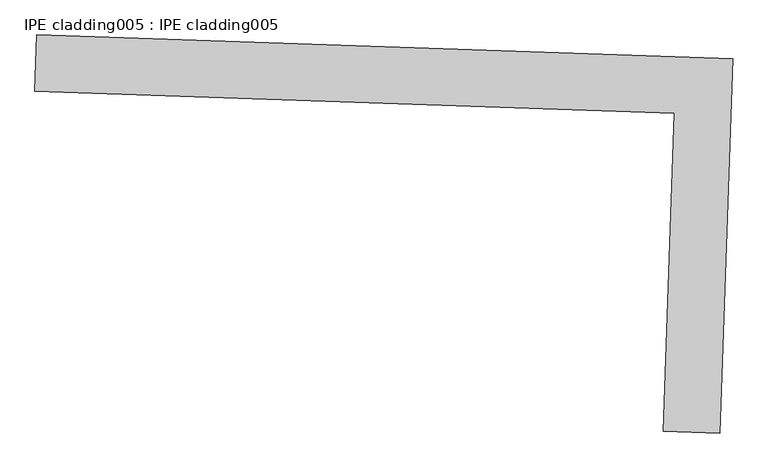
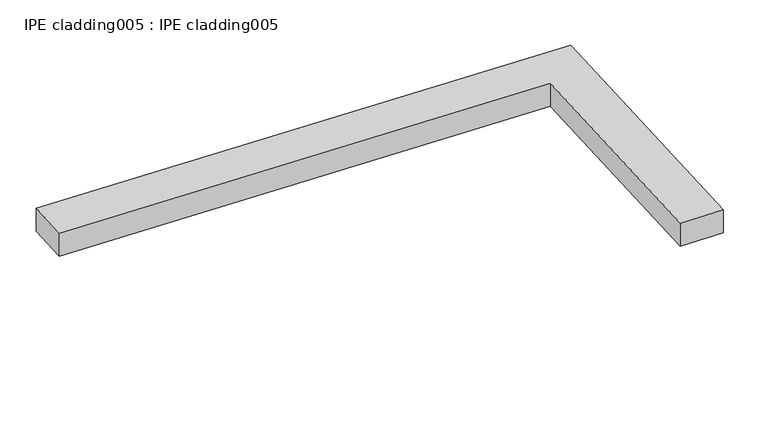
"""IFC4 building model written with IfcOpenShell, lengths in millimetres: proxy geometry, IPE cladding005 : IPE cladding005."""

from ifc_helpers import new_model, si_unit, frame, origin, place, context, project, spatial, polyline, outline, extrude, source, transform, mapped, element, save


def ipe_cladding005_ipe_cladding005_89b13a5d(model_context):
    return source(origin(), model_context, "Body", "SweptSolid", [
        extrude(outline(polyline([(17306.5036745, -14579.7358947), (17309.5442114, -14490.8879059), (18404.971373, -14528.3753784), (18384.8189497, -15117.252417), (18295.9709607, -15114.2118803), (18313.0828474, -14614.1828304), (17306.5036745, -14579.7358947)])), frame((0.0, 0.0, 937.575707), z_axis=(0.0, 0.0, 1.0), x_axis=(1.0, 0.0, 0.0)), (0.0, 0.0, 1.0), 50.8),
    ])


if __name__ == "__main__":
    model = new_model("IFC4")
    model_context = context("Model", 3, world=origin())
    ifc_project = project(units=[si_unit("LENGTHUNIT", "METRE", prefix="MILLI")], contexts=[model_context])
    site = spatial("IfcSite", under=ifc_project)
    building = spatial("IfcBuilding", under=site)
    placement = place(None, origin())
    ipe_cladding005_ipe_cladding005_shape = ipe_cladding005_ipe_cladding005_89b13a5d(model_context)
    element("IfcBuildingElementProxy", 1, Name="IPE cladding005 : IPE cladding005", ObjectType="IPE cladding005 : IPE cladding005", at=placement, inside=building, context=model_context, shape_type="MappedRepresentation", body=[
        mapped(ipe_cladding005_ipe_cladding005_shape, transform((0.0, 0.0, 0.0), x_axis=(1.0, 0.0, 0.0), y_axis=(0.0, 1.0, 0.0), z_axis=(0.0, 0.0, 1.0))),
    ])
    save(model, "model.ifc")
